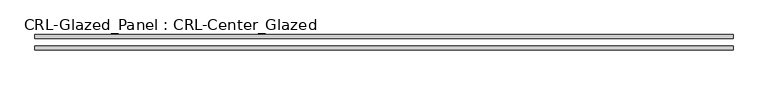
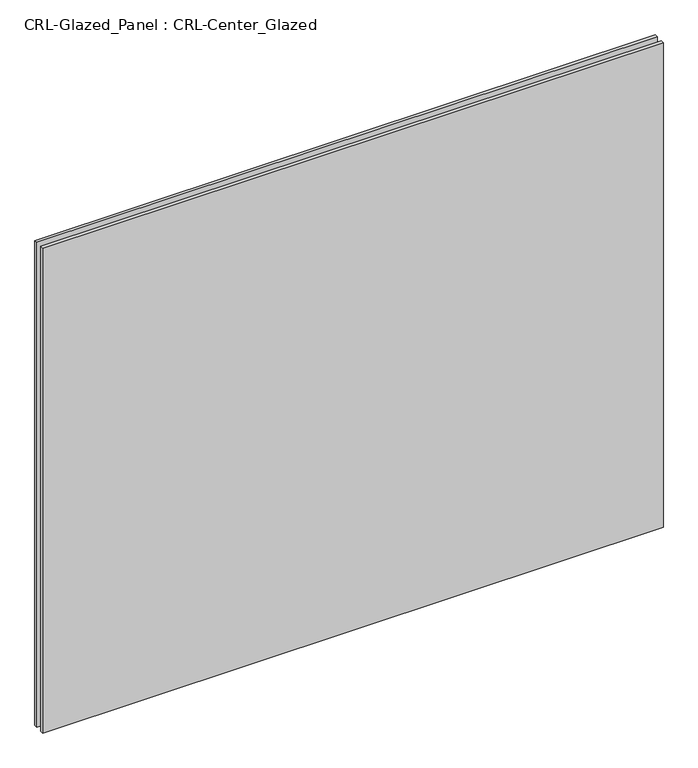
"""IFC4 building model written with IfcOpenShell, lengths in millimetres: plate geometry, CRL-Glazed_Panel : CRL-Center_Glazed."""

from ifc_helpers import new_model, si_unit, origin, origin_with_axes, place, context, project, spatial, polyline, outline, extrude, source, transform, mapped, element, save


def crl_glazed_panel_crl_center_glazed_06779285(model_context):
    return source(origin(), model_context, "Body", "SweptSolid", [
        extrude(outline(polyline([(582.6125, -12.7), (-582.6125, -12.7), (-582.6125, -6.35), (582.6125, -6.35), (582.6125, -12.7)])), origin_with_axes(), (0.0, 0.0, 1.0), 962.025),
        extrude(outline(polyline([(-582.6125, 6.35), (-582.6125, 12.7), (582.6125, 12.7), (582.6125, 6.35), (-582.6125, 6.35)])), origin_with_axes(), (0.0, 0.0, 1.0), 962.025),
    ])


if __name__ == "__main__":
    model = new_model("IFC4")
    model_context = context("Model", 3, world=origin())
    ifc_project = project(units=[si_unit("LENGTHUNIT", "METRE", prefix="MILLI")], contexts=[model_context])
    site = spatial("IfcSite", under=ifc_project)
    building = spatial("IfcBuilding", under=site)
    placement = place(None, origin())
    crl_glazed_panel_crl_center_glazed_shape = crl_glazed_panel_crl_center_glazed_06779285(model_context)
    element("IfcPlate", 1, ObjectType="CRL-Glazed_Panel : CRL-Center_Glazed", at=placement, inside=building, context=model_context, shape_type="MappedRepresentation", body=[
        mapped(crl_glazed_panel_crl_center_glazed_shape, transform((0.0, 0.0, 0.0), x_axis=(1.0, 0.0, 0.0), y_axis=(0.0, 1.0, 0.0), z_axis=(0.0, 0.0, 1.0))),
    ])
    save(model, "model.ifc")
